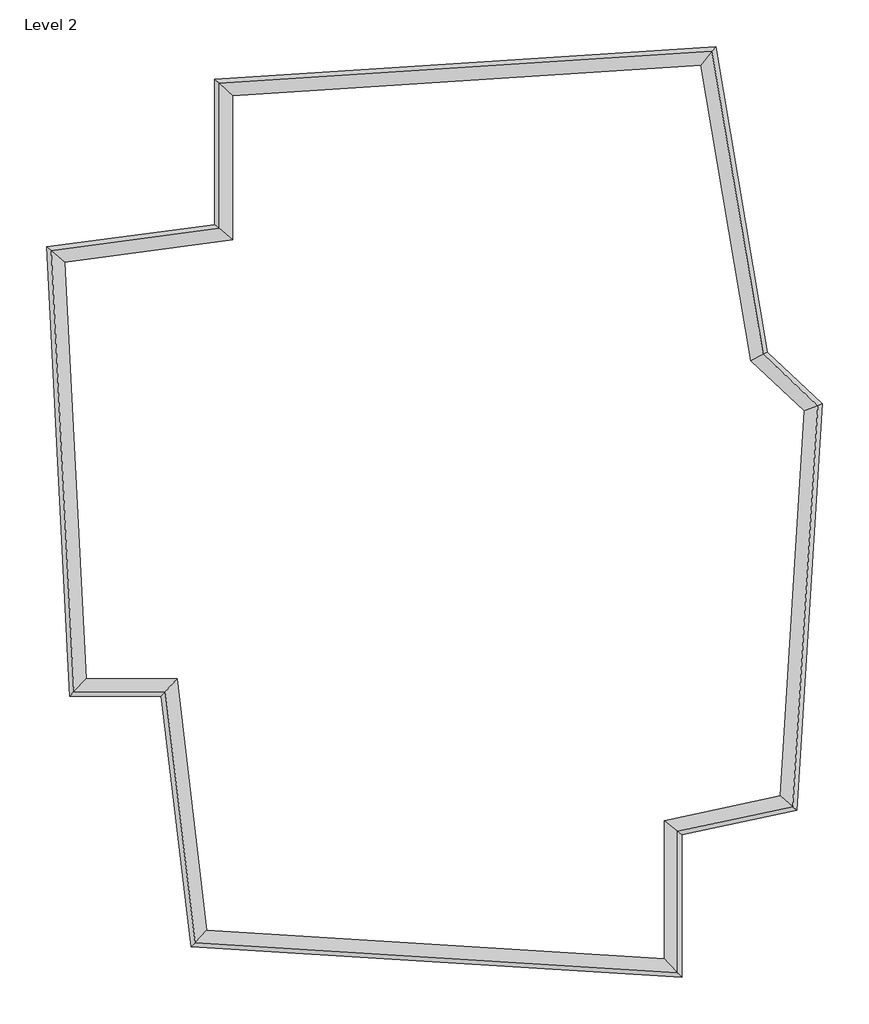
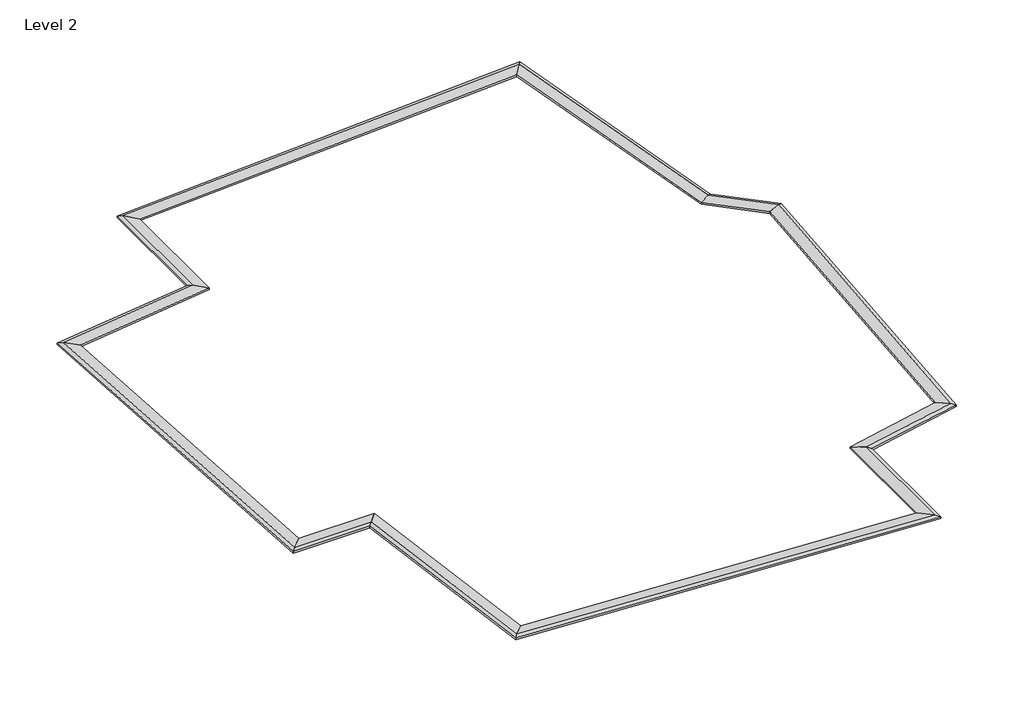
# One storey: 12 proxies.
"""IFC4 building model written with IfcOpenShell, lengths in millimetres."""

from ifc_helpers import new_model, si_unit, origin, place, context, project, spatial, faceted_brep, element, save

model = new_model("IFC4")

# Units and contexts
model_context = context("Model", 3, world=origin())
ifc_project = project(units=[si_unit("LENGTHUNIT", "METRE", prefix="MILLI")], contexts=[model_context])

# Site, building, storey
site = spatial("IfcSite", under=ifc_project)
building = spatial("IfcBuilding", under=site)
storey = spatial("IfcBuildingStorey", under=building, Name="Level 2", Elevation=4000.0)

# Proxies
placement = place(None, origin())
element("IfcBuildingElementProxy", 1, Name="Wall Sweeps", at=placement, inside=storey, context=model_context, shape_type="Brep", body=[
    faceted_brep([(-10727.1112074, -5308.8066945, 4061.9), (-11081.7853942, -5682.2066945, 4100.0), (-11202.036471, -5808.8066945, 4061.9), (-11202.036471, -5808.8066945, 4000.0), (-10727.1112074, -5308.8066945, 4000.0), (-11337.5224077, 6549.9747447, 4061.9), (-11337.5224077, 6549.9747447, 4000.0), (-11860.5678616, 6984.8311478, 4000.0), (-11860.5678616, 6984.8311478, 4061.9), (-11728.1327527, 6874.7255066, 4100.0)], [[[0, 1, 2, 3, 4]], [[5, 6, 7, 8, 9]], [[1, 0, 5, 9]], [[2, 1, 9, 8]], [[3, 2, 8, 7]], [[4, 3, 7, 6]], [[0, 4, 6, 5]]]),
])
element("IfcBuildingElementProxy", 2, Name="Wall Sweeps", at=placement, inside=storey, context=model_context, shape_type="Brep", body=[
    faceted_brep([(5746.4291503, -13291.3718184, 4061.9), (6119.8291503, -13688.8836063, 4100.0), (6246.4291503, -13823.658626, 4061.9), (6246.4291503, -13823.658626, 4000.0), (5746.4291503, -13291.3718184, 4000.0), (-7293.4524296, -12474.8770095, 4061.9), (-7293.4524296, -12474.8770095, 4000.0), (-7740.841842, -12947.8428384, 4000.0), (-7740.841842, -12947.8428384, 4061.9), (-7627.5628428, -12828.0878905, 4100.0)], [[[0, 1, 2, 3, 4]], [[5, 6, 7, 8, 9]], [[1, 0, 5, 9]], [[2, 1, 9, 8]], [[3, 2, 8, 7]], [[4, 3, 7, 6]], [[0, 4, 6, 5]]]),
])
element("IfcBuildingElementProxy", 3, Name="Wall Sweeps", at=placement, inside=storey, context=model_context, shape_type="Brep", body=[
    faceted_brep([(9739.0094938, 2311.1419992, 4061.9), (10122.6706039, 2463.3388798, 4100.0), (10252.7495984, 2514.9407146, 4061.9), (10252.7495984, 2514.9407146, 4000.0), (9739.0094938, 2311.1419992, 4000.0), (9052.6337084, -8650.6655506, 4061.9), (9052.6337084, -8650.6655506, 4000.0), (9527.98308, -9059.9884446, 4000.0), (9527.98308, -9059.9884446, 4061.9), (9407.6246191, -8956.3478878, 4100.0)], [[[0, 1, 2, 3, 4]], [[5, 6, 7, 8, 9]], [[1, 0, 5, 9]], [[2, 1, 9, 8]], [[3, 2, 8, 7]], [[4, 3, 7, 6]], [[0, 4, 6, 5]]]),
])
element("IfcBuildingElementProxy", 4, Name="Wall Sweeps", at=placement, inside=storey, context=model_context, shape_type="Brep", body=[
    faceted_brep([(9052.6337084, -8650.6655506, 4061.9), (9407.6246191, -8956.3478878, 4100.0), (9527.98308, -9059.9884446, 4061.9), (9527.98308, -9059.9884446, 4000.0), (9052.6337084, -8650.6655506, 4000.0), (5746.4291503, -9360.630772, 4061.9), (5746.4291503, -9360.630772, 4000.0), (6246.4291503, -9764.6602582, 4000.0), (6246.4291503, -9764.6602582, 4061.9), (6119.8291503, -9662.3599923, 4100.0)], [[[0, 1, 2, 3, 4]], [[5, 6, 7, 8, 9]], [[1, 0, 5, 9]], [[2, 1, 9, 8]], [[3, 2, 8, 7]], [[4, 3, 7, 6]], [[0, 4, 6, 5]]]),
])
element("IfcBuildingElementProxy", 5, Name="Wall Sweeps", at=placement, inside=storey, context=model_context, shape_type="Brep", body=[
    faceted_brep([(5746.4291503, -9360.630772, 4061.9), (6119.8291503, -9662.3599923, 4100.0), (6246.4291503, -9764.6602582, 4061.9), (6246.4291503, -9764.6602582, 4000.0), (5746.4291503, -9360.630772, 4000.0), (5746.4291503, -13291.3718184, 4061.9), (5746.4291503, -13291.3718184, 4000.0), (6246.4291503, -13823.658626, 4000.0), (6246.4291503, -13823.658626, 4061.9), (6119.8291503, -13688.8836063, 4100.0)], [[[0, 1, 2, 3, 4]], [[5, 6, 7, 8, 9]], [[1, 0, 5, 9]], [[2, 1, 9, 8]], [[3, 2, 8, 7]], [[4, 3, 7, 6]], [[0, 4, 6, 5]]]),
])
element("IfcBuildingElementProxy", 6, Name="Wall Sweeps", at=placement, inside=storey, context=model_context, shape_type="Brep", body=[
    faceted_brep([(-10727.1112074, -5308.8066945, 4061.9), (-10727.1112074, -5308.8066945, 4000.0), (-11202.036471, -5808.8066945, 4000.0), (-11202.036471, -5808.8066945, 4061.9), (-11081.7853942, -5682.2066945, 4100.0), (-8143.7126856, -5308.8066945, 4061.9), (-8475.427643, -5682.2066945, 4100.0), (-8587.894471, -5808.8066945, 4061.9), (-8587.894471, -5808.8066945, 4000.0), (-8143.7126856, -5308.8066945, 4000.0)], [[[0, 1, 2, 3, 4]], [[5, 6, 7, 8, 9]], [[0, 4, 6, 5]], [[4, 3, 7, 6]], [[3, 2, 8, 7]], [[2, 1, 9, 8]], [[1, 0, 5, 9]]]),
])
element("IfcBuildingElementProxy", 7, Name="Wall Sweeps", at=placement, inside=storey, context=model_context, shape_type="Brep", body=[
    faceted_brep([(-8143.7126856, -5308.8066945, 4061.9), (-8143.7126856, -5308.8066945, 4000.0), (-8587.894471, -5808.8066945, 4000.0), (-8587.894471, -5808.8066945, 4061.9), (-8475.427643, -5682.2066945, 4100.0), (-7293.4524296, -12474.8770095, 4061.9), (-7627.5628428, -12828.0878905, 4100.0), (-7740.841842, -12947.8428384, 4061.9), (-7740.841842, -12947.8428384, 4000.0), (-7293.4524296, -12474.8770095, 4000.0)], [[[0, 1, 2, 3, 4]], [[5, 6, 7, 8, 9]], [[0, 4, 6, 5]], [[4, 3, 7, 6]], [[3, 2, 8, 7]], [[2, 1, 9, 8]], [[1, 0, 5, 9]]]),
])
element("IfcBuildingElementProxy", 8, Name="Wall Sweeps", at=placement, inside=storey, context=model_context, shape_type="Brep", body=[
    faceted_brep([(-11337.5224077, 6549.9747447, 4061.9), (-11728.1327527, 6874.7255066, 4100.0), (-11860.5678616, 6984.8311478, 4061.9), (-11860.5678616, 6984.8311478, 4000.0), (-11337.5224077, 6549.9747447, 4000.0), (-6563.5708497, 7184.7162292, 4061.9), (-6563.5708497, 7184.7162292, 4000.0), (-7063.5708497, 7622.6367408, 4000.0), (-7063.5708497, 7622.6367408, 4061.9), (-6936.9708497, 7511.7552673, 4100.0)], [[[0, 1, 2, 3, 4]], [[5, 6, 7, 8, 9]], [[1, 0, 5, 9]], [[2, 1, 9, 8]], [[3, 2, 8, 7]], [[4, 3, 7, 6]], [[0, 4, 6, 5]]]),
])
element("IfcBuildingElementProxy", 9, Name="Wall Sweeps", at=placement, inside=storey, context=model_context, shape_type="Brep", body=[
    faceted_brep([(-6563.5708497, 7184.7162292, 4061.9), (-6936.9708497, 7511.7552673, 4100.0), (-7063.5708497, 7622.6367408, 4061.9), (-7063.5708497, 7622.6367408, 4000.0), (-6563.5708497, 7184.7162292, 4000.0), (-6563.5708497, 11295.4517115, 4061.9), (-6563.5708497, 11295.4517115, 4000.0), (-7063.5708497, 11764.0152881, 4000.0), (-7063.5708497, 11764.0152881, 4061.9), (-6936.9708497, 11645.3749905, 4100.0)], [[[0, 1, 2, 3, 4]], [[5, 6, 7, 8, 9]], [[1, 0, 5, 9]], [[2, 1, 9, 8]], [[3, 2, 8, 7]], [[4, 3, 7, 6]], [[0, 4, 6, 5]]]),
])
element("IfcBuildingElementProxy", 10, Name="Wall Sweeps", at=placement, inside=storey, context=model_context, shape_type="Brep", body=[
    faceted_brep([(6790.8593492, 12163.2486197, 4061.9), (7102.8140296, 12557.7075819, 4100.0), (7208.581203, 12691.4475514, 4061.9), (7208.581203, 12691.4475514, 4000.0), (6790.8593492, 12163.2486197, 4000.0), (8216.7142831, 3737.7261764, 4061.9), (8216.7142831, 3737.7261764, 4000.0), (8681.5841831, 3987.3224875, 4000.0), (8681.5841831, 3987.3224875, 4061.9), (8563.8791244, 3924.1247015, 4100.0)], [[[0, 1, 2, 3, 4]], [[5, 6, 7, 8, 9]], [[1, 0, 5, 9]], [[2, 1, 9, 8]], [[3, 2, 8, 7]], [[4, 3, 7, 6]], [[0, 4, 6, 5]]]),
])
element("IfcBuildingElementProxy", 11, Name="Wall Sweeps", at=placement, inside=storey, context=model_context, shape_type="Brep", body=[
    faceted_brep([(8216.7142831, 3737.7261764, 4061.9), (8563.8791244, 3924.1247015, 4100.0), (8681.5841831, 3987.3224875, 4061.9), (8681.5841831, 3987.3224875, 4000.0), (8216.7142831, 3737.7261764, 4000.0), (9739.0094938, 2311.1419992, 4061.9), (9739.0094938, 2311.1419992, 4000.0), (10252.7495984, 2514.9407146, 4000.0), (10252.7495984, 2514.9407146, 4061.9), (10122.6706039, 2463.3388798, 4100.0)], [[[0, 1, 2, 3, 4]], [[5, 6, 7, 8, 9]], [[1, 0, 5, 9]], [[2, 1, 9, 8]], [[3, 2, 8, 7]], [[4, 3, 7, 6]], [[0, 4, 6, 5]]]),
])
element("IfcBuildingElementProxy", 12, Name="Wall Sweeps", at=placement, inside=storey, context=model_context, shape_type="Brep", body=[
    faceted_brep([(6790.8593492, 12163.2486197, 4061.9), (6790.8593492, 12163.2486197, 4000.0), (7208.581203, 12691.4475514, 4000.0), (7208.581203, 12691.4475514, 4061.9), (7102.8140296, 12557.7075819, 4100.0), (-6563.5708497, 11295.4517115, 4061.9), (-6936.9708497, 11645.3749905, 4100.0), (-7063.5708497, 11764.0152881, 4061.9), (-7063.5708497, 11764.0152881, 4000.0), (-6563.5708497, 11295.4517115, 4000.0)], [[[0, 1, 2, 3, 4]], [[5, 6, 7, 8, 9]], [[0, 4, 6, 5]], [[4, 3, 7, 6]], [[3, 2, 8, 7]], [[2, 1, 9, 8]], [[1, 0, 5, 9]]]),
])

save(model, "model.ifc")
